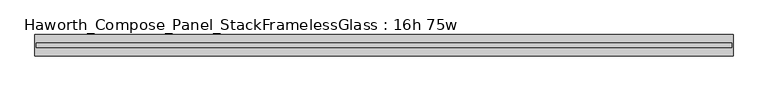
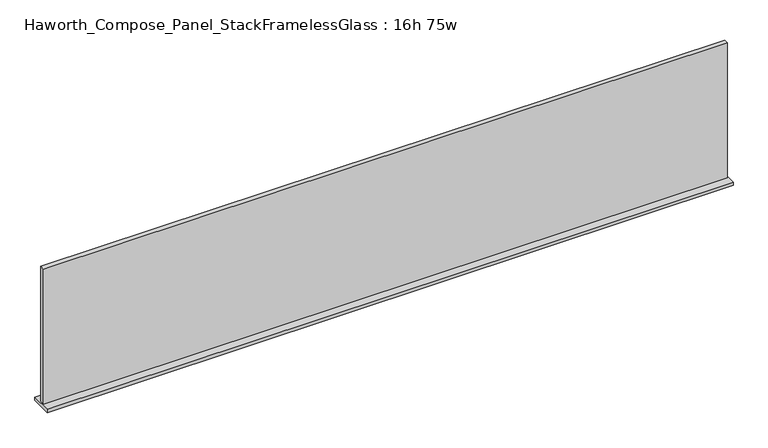
"""IFC4 building model written with IfcOpenShell, lengths in millimetres: furniture geometry, Haworth_Compose_Panel_StackFramelessGlass : 16h 75w."""

from ifc_helpers import new_model, si_unit, frame, origin, place, context, project, spatial, polyline, outline, extrude, source, transform, mapped, element, save


def haworth_compose_panel_stackframelessglass_16h_75w_2950a522(model_context):
    return source(origin(), model_context, "Body", "SweptSolid", [
        extrude(outline(polyline([(951.7652902, -27.3093594), (-946.8847098, -27.3093594), (-946.8847098, -14.6093594), (951.7652902, -14.6093594), (951.7652902, -27.3093594)])), frame((0.0, 0.0, 1279.525), z_axis=(0.0, 0.0, 1.0), x_axis=(1.0, 0.0, 0.0)), (0.0, 0.0, 1.0), 396.875),
        extrude(outline(polyline([(-950.0597098, -50.3281094), (-950.0597098, 8.4093906), (954.9402902, 8.4093906), (954.9402902, -50.3281094), (-950.0597098, -50.3281094)])), frame((0.0, 0.0, 1270.0), z_axis=(0.0, 0.0, 1.0), x_axis=(1.0, 0.0, 0.0)), (0.0, 0.0, 1.0), 9.525),
    ])


if __name__ == "__main__":
    model = new_model("IFC4")
    model_context = context("Model", 3, world=origin())
    ifc_project = project(units=[si_unit("LENGTHUNIT", "METRE", prefix="MILLI")], contexts=[model_context])
    site = spatial("IfcSite", under=ifc_project)
    building = spatial("IfcBuilding", under=site)
    placement = place(None, origin())
    haworth_compose_panel_stackframelessglass_16h_75w_shape = haworth_compose_panel_stackframelessglass_16h_75w_2950a522(model_context)
    element("IfcFurniture", 1, ObjectType="Haworth_Compose_Panel_StackFramelessGlass : 16h 75w", at=placement, inside=building, context=model_context, shape_type="MappedRepresentation", body=[
        mapped(haworth_compose_panel_stackframelessglass_16h_75w_shape, transform((0.0, 0.0, 0.0), x_axis=(1.0, 0.0, 0.0), y_axis=(0.0, 1.0, 0.0), z_axis=(0.0, 0.0, 1.0))),
    ])
    save(model, "model.ifc")
